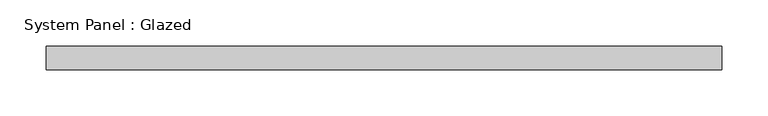
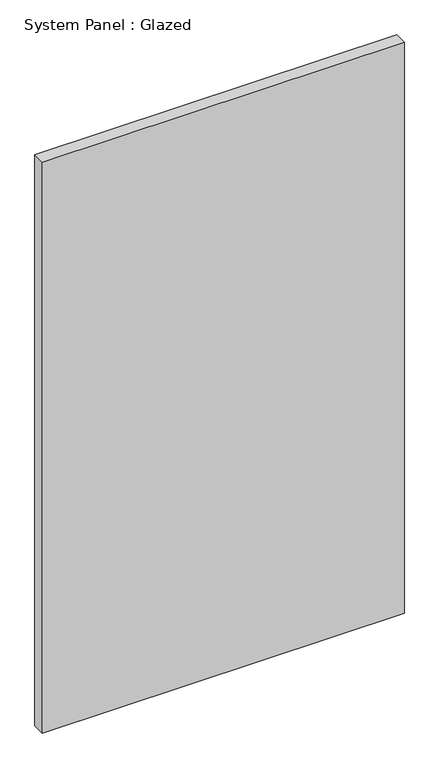
"""IFC4 building model written with IfcOpenShell, lengths in millimetres: plate geometry, System Panel : Glazed."""

from ifc_helpers import new_model, si_unit, origin, origin_with_axes, place, context, project, spatial, polyline, outline, extrude, source, transform, mapped, element, save


def system_panel_glazed_7b30844f(model_context):
    return source(origin(), model_context, "Body", "SweptSolid", [
        extrude(outline(polyline([(365.9255071, 19.05), (-365.9255071, 19.05), (-365.9255071, 44.45), (365.9255071, 44.45), (365.9255071, 19.05)])), origin_with_axes(), (0.0, 0.0, 1.0), 1219.2),
    ])


if __name__ == "__main__":
    model = new_model("IFC4")
    model_context = context("Model", 3, world=origin())
    ifc_project = project(units=[si_unit("LENGTHUNIT", "METRE", prefix="MILLI")], contexts=[model_context])
    site = spatial("IfcSite", under=ifc_project)
    building = spatial("IfcBuilding", under=site)
    placement = place(None, origin())
    system_panel_glazed_shape = system_panel_glazed_7b30844f(model_context)
    element("IfcPlate", 1, ObjectType="System Panel : Glazed", at=placement, inside=building, context=model_context, shape_type="MappedRepresentation", body=[
        mapped(system_panel_glazed_shape, transform((0.0, 0.0, 0.0), x_axis=(1.0, 0.0, 0.0), y_axis=(0.0, 1.0, 0.0), z_axis=(0.0, 0.0, 1.0))),
    ])
    save(model, "model.ifc")
